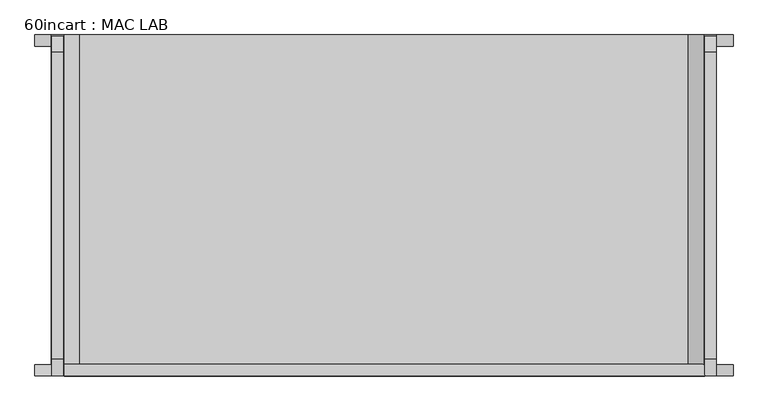
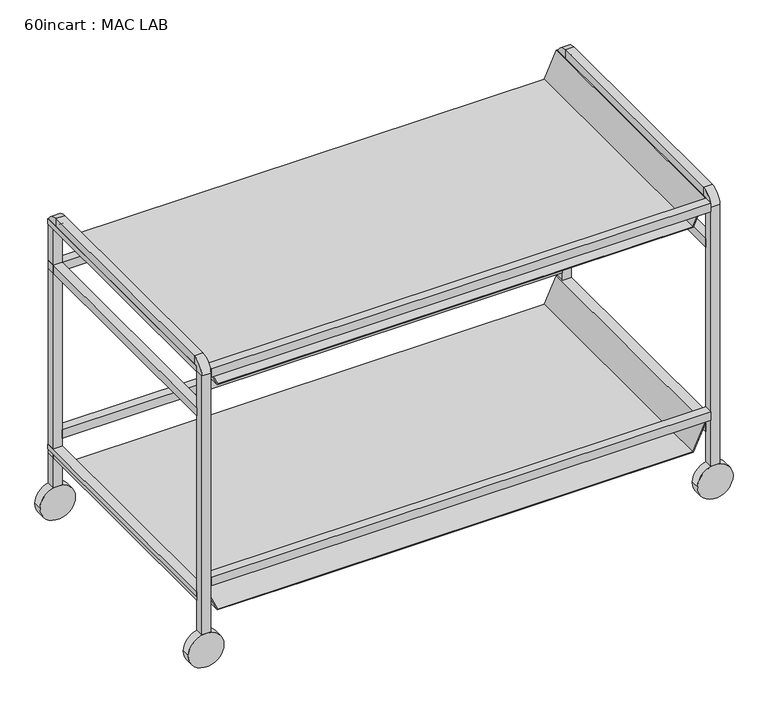
"""IFC4 building model written with IfcOpenShell, lengths in millimetres: proxy geometry, 60incart : MAC LAB."""

from ifc_helpers import new_model, si_unit, point, frame, frame_2d, origin, place, context, project, spatial, polyline, circle_curve, trimmed, segment, composite_curve, outline, extrude, source, transform, mapped, element, save
from ifc_brep_helpers import plane_surface, cylinder_surface, revolved_surface, advanced_brep


def proxy_60incart_mac_lab_c3137fdd(model_context):
    return source(origin(), model_context, "Body", "SolidModel", [
        extrude(outline(polyline([(215.9259266, -558.8), (215.9259266, -533.4), (140.8835759, -499.0069911), (140.8835759, -240.7680089), (140.8835759, 864.1319911), (215.9259266, 898.525), (215.9259266, 923.925), (203.2259266, 923.925), (203.2259266, 925.5125), (217.5134266, 925.5125), (217.5134266, 897.5062868), (142.4710759, 863.1132779), (142.4710759, -497.9882779), (217.5134266, -532.3812868), (217.5134266, -560.3875), (203.2259266, -560.3875), (203.2259266, -558.8), (215.9259266, -558.8)])), frame((0.0, -482.6, 0.0), z_axis=(0.0, 1.0, 0.0), x_axis=(0.0, 0.0, 1.0)), (0.0, 0.0, 1.0), 736.6),
        extrude(outline(polyline([(898.525, -558.8), (898.525, -533.4), (823.4826492, -499.0069911), (823.4826492, -240.7680089), (823.4826492, 864.1319911), (898.525, 898.525), (898.525, 923.925), (885.825, 923.925), (885.825, 925.5125), (900.1125, 925.5125), (900.1125, 897.5062868), (825.0701492, 863.1132779), (825.0701492, -497.9882779), (900.1125, -532.3812868), (900.1125, -560.3875), (885.825, -560.3875), (885.825, -558.8), (898.525, -558.8)])), frame((0.0, -482.6, 0.0), z_axis=(0.0, 1.0, 0.0), x_axis=(0.0, 0.0, 1.0)), (0.0, 0.0, 1.0), 736.6),
        extrude(outline(polyline([(-533.4, 228.6), (-533.4, 254.0), (900.1125, 254.0), (900.1125, 228.6), (-533.4, 228.6)])), frame((0.0, 0.0, 241.3), z_axis=(0.0, 0.0, 1.0), x_axis=(1.0, 0.0, 0.0)), (0.0, 0.0, 1.0), 25.4),
        extrude(outline(polyline([(-531.6884044, -508.3419252), (-531.6884044, -482.9419252), (900.1125, -482.9419252), (900.1125, -508.3419252), (-531.6884044, -508.3419252)])), frame((0.0, 0.0, 241.3), z_axis=(0.0, 0.0, 1.0), x_axis=(1.0, 0.0, 0.0)), (0.0, 0.0, 1.0), 25.4),
        extrude(outline(polyline([(900.1125, -482.6), (900.1125, -508.0), (-531.6884044, -508.0), (-531.6884044, -482.6), (900.1125, -482.6)])), frame((0.0, 0.0, 873.125), z_axis=(0.0, 0.0, 1.0), x_axis=(1.0, 0.0, 0.0)), (0.0, 0.0, 1.0), 25.4),
        extrude(outline(polyline([(900.1125, 254.0), (900.1125, 228.6), (-533.4, 228.6), (-533.4, 254.0), (900.1125, 254.0)])), frame((0.0, 0.0, 749.3), z_axis=(0.0, 0.0, 1.0), x_axis=(1.0, 0.0, 0.0)), (0.0, 0.0, 1.0), 25.4),
        extrude(outline(polyline([(-558.8, 254.0), (-533.4, 254.0), (-533.4, -482.6), (-558.8, -482.6), (-558.8, 254.0)])), frame((0.0, 0.0, 749.3), z_axis=(0.0, 0.0, 1.0), x_axis=(1.0, 0.0, 0.0)), (0.0, 0.0, 1.0), 25.4),
        extrude(outline(polyline([(-558.8, 254.0), (-533.4, 254.0), (-533.4, -482.6), (-558.8, -482.6), (-558.8, 254.0)])), frame((0.0, 0.0, 190.5259266), z_axis=(0.0, 0.0, 1.0), x_axis=(1.0, 0.0, 0.0)), (0.0, 0.0, 1.0), 25.4),
        extrude(outline(polyline([(900.1125, 254.0), (925.5125, 254.0), (925.5125, -482.6), (900.1125, -482.6), (900.1125, 254.0)])), frame((0.0, 0.0, 749.3), z_axis=(0.0, 0.0, 1.0), x_axis=(1.0, 0.0, 0.0)), (0.0, 0.0, 1.0), 25.4),
        extrude(outline(polyline([(900.1125, 254.0), (925.5125, 254.0), (925.5125, -482.6), (900.1125, -482.6), (900.1125, 254.0)])), frame((0.0, 0.0, 190.5259266), z_axis=(0.0, 0.0, 1.0), x_axis=(1.0, 0.0, 0.0)), (0.0, 0.0, 1.0), 25.4),
        advanced_brep(
        [(-558.8, 254.0, 100.3263379), (-533.4, 254.0, 100.3263379), (-533.4, 228.6, 100.3263379), (-558.8, 228.6, 100.3263379), (-558.8, 254.0, 885.825), (-533.4, 254.0, 885.825), (-533.4, 228.6, 885.825), (-558.8, 228.6, 885.825), (-533.4, 215.9, 923.925), (-558.8, 215.9, 923.925), (-533.4, 215.9, 898.525), (-558.8, 215.9, 898.525), (-558.8, -469.9, 923.925), (-533.4, -469.9, 923.925), (-533.4, -469.9, 898.525), (-558.8, -469.9, 898.525), (-533.4, -508.0, 885.825), (-558.8, -508.0, 885.825), (-533.4, -482.6, 885.825), (-558.8, -482.6, 885.825), (-558.8, -508.0, 101.6), (-558.8, -482.6, 101.6), (-533.4, -482.6, 101.6), (-533.4, -508.0, 101.6)],
        [
            (0, 1),
            (1, 2),
            (2, 3),
            (3, 0),
            (0, 4),
            (4, 5),
            (5, 1),
            (5, 6),
            (6, 2),
            (6, 7),
            (7, 3),
            (7, 4),
            (8, 5, circle_curve(frame((-533.4, 215.9, 885.825), z_axis=(-1.0, 0.0, 0.0), x_axis=(0.0, 1.0, 0.0)), 38.1)),
            (4, 9, circle_curve(frame((-558.8, 215.9, 885.825), z_axis=(1.0, 0.0, 0.0), x_axis=(0.0, 1.0, 0.0)), 38.1)),
            (9, 8),
            (10, 6, circle_curve(frame((-533.4, 215.9, 885.825), z_axis=(-1.0, 0.0, 0.0), x_axis=(0.0, 1.0, 0.0)), 12.7)),
            (8, 10),
            (11, 7, circle_curve(frame((-558.8, 215.9, 885.825), z_axis=(-1.0, 0.0, 0.0), x_axis=(0.0, 1.0, 0.0)), 12.7)),
            (10, 11),
            (11, 9),
            (9, 12),
            (12, 13),
            (13, 8),
            (13, 14),
            (14, 10),
            (14, 15),
            (15, 11),
            (15, 12),
            (16, 13, circle_curve(frame((-533.4, -469.9, 885.825), z_axis=(-1.0, 0.0, 0.0), x_axis=(0.0, 0.0, 1.0)), 38.1)),
            (12, 17, circle_curve(frame((-558.8, -469.9, 885.825), z_axis=(1.0, 0.0, 0.0), x_axis=(0.0, 0.0, 1.0)), 38.1)),
            (17, 16),
            (18, 14, circle_curve(frame((-533.4, -469.9, 885.825), z_axis=(-1.0, 0.0, 0.0), x_axis=(0.0, 0.0, 1.0)), 12.7)),
            (16, 18),
            (19, 15, circle_curve(frame((-558.8, -469.9, 885.825), z_axis=(-1.0, 0.0, 0.0), x_axis=(0.0, 0.0, 1.0)), 12.7)),
            (18, 19),
            (19, 17),
            (20, 21),
            (21, 22),
            (22, 23),
            (23, 20),
            (17, 20),
            (23, 16),
            (22, 18),
            (21, 19),
        ],
        [
            plane_surface(frame((339.725, -657.3147482, 100.3263379), z_axis=(0.0, 0.0, -1.0), x_axis=(1.0, 0.0, 0.0))),
            plane_surface(frame((-558.8, 254.0, 100.3263379), z_axis=(0.0, 1.0, 0.0), x_axis=(0.0, 0.0, 1.0))),
            plane_surface(frame((-533.4, 254.0, 100.3263379), z_axis=(1.0, 0.0, 0.0), x_axis=(0.0, 0.0, 1.0))),
            plane_surface(frame((-533.4, 228.6, 100.3263379), z_axis=(0.0, -1.0, 0.0), x_axis=(0.0, 0.0, 1.0))),
            plane_surface(frame((-558.8, 228.6, 100.3263379), z_axis=(-1.0, 0.0, 0.0), x_axis=(0.0, 0.0, 1.0))),
            cylinder_surface(frame((339.725, 215.9, 885.825), z_axis=(1.0, 0.0, 0.0), x_axis=(0.0, 1.0, 0.0)), 38.1),
            plane_surface(frame((-533.4, 215.9, 885.825), z_axis=(1.0, 0.0, 0.0), x_axis=(0.0, 1.0, 0.0))),
            revolved_surface(polyline([(-533.4, 228.6, 885.825), (-558.8, 228.6, 885.825)]), (339.725, 215.9, 885.825), (1.0, 0.0, 0.0)),
            plane_surface(frame((-558.8, 215.9, 885.825), z_axis=(-1.0, 0.0, 0.0), x_axis=(0.0, 1.0, 0.0))),
            plane_surface(frame((-558.8, 215.9, 923.925), z_axis=(0.0, 0.0, 1.0), x_axis=(0.0, -1.0, 0.0))),
            plane_surface(frame((-533.4, 215.9, 923.925), z_axis=(1.0, 0.0, 0.0), x_axis=(0.0, -1.0, 0.0))),
            plane_surface(frame((-533.4, 215.9, 898.525), z_axis=(0.0, 0.0, -1.0), x_axis=(0.0, -1.0, 0.0))),
            plane_surface(frame((-558.8, 215.9, 898.525), z_axis=(-1.0, 0.0, 0.0), x_axis=(0.0, -1.0, 0.0))),
            cylinder_surface(frame((339.725, -469.9, 885.825), z_axis=(1.0, 0.0, 0.0), x_axis=(0.0, 0.0, 1.0)), 38.1),
            plane_surface(frame((-533.4, -469.9, 885.825), z_axis=(1.0, 0.0, 0.0), x_axis=(0.0, 0.0, 1.0))),
            revolved_surface(polyline([(-533.4, -469.9, 898.5250000000001), (-558.8, -469.9, 898.5250000000001)]), (339.725, -469.9, 885.825), (1.0, 0.0, 0.0)),
            plane_surface(frame((-558.8, -469.9, 885.825), z_axis=(-1.0, 0.0, 0.0), x_axis=(0.0, 0.0, 1.0))),
            plane_surface(frame((339.725, -1393.9147482, 101.6), z_axis=(0.0, 0.0, -1.0), x_axis=(-1.0, 0.0, 0.0))),
            plane_surface(frame((-558.8, -508.0, 885.825), z_axis=(0.0, -1.0, 0.0), x_axis=(0.0, 0.0, -1.0))),
            plane_surface(frame((-533.4, -508.0, 885.825), z_axis=(1.0, 0.0, 0.0), x_axis=(0.0, 0.0, -1.0))),
            plane_surface(frame((-533.4, -482.6, 885.825), z_axis=(0.0, 1.0, 0.0), x_axis=(0.0, 0.0, -1.0))),
            plane_surface(frame((-558.8, -482.6, 885.825), z_axis=(-1.0, 0.0, 0.0), x_axis=(0.0, 0.0, -1.0))),
        ],
        [
            (0, [[1, 2, 3, 4]]),
            (1, [[-1, 5, 6, 7]]),
            (2, [[-2, -7, 8, 9]]),
            (3, [[-3, -9, 10, 11]]),
            (4, [[-4, -11, 12, -5]]),
            (5, [[13, -6, 14, 15]]),
            (6, [[16, -8, -13, 17]]),
            (7, [[18, -10, -16, 19]]),
            (8, [[-14, -12, -18, 20]]),
            (9, [[-15, 21, 22, 23]]),
            (10, [[-17, -23, 24, 25]]),
            (11, [[-19, -25, 26, 27]]),
            (12, [[-20, -27, 28, -21]]),
            (13, [[29, -22, 30, 31]]),
            (14, [[32, -24, -29, 33]]),
            (15, [[34, -26, -32, 35]]),
            (16, [[-30, -28, -34, 36]]),
            (17, [[37, 38, 39, 40]]),
            (18, [[-31, 41, -40, 42]]),
            (19, [[-33, -42, -39, 43]]),
            (20, [[-35, -43, -38, 44]]),
            (21, [[-36, -44, -37, -41]]),
        ],
    ),
        advanced_brep(
        [(925.5125, 254.0, 100.3263379), (925.5125, 228.6, 100.3263379), (900.1125, 228.6, 100.3263379), (900.1125, 254.0, 100.3263379), (925.5125, 254.0, 885.825), (925.5125, 228.6, 885.825), (900.1125, 228.6, 885.825), (900.1125, 254.0, 885.825), (925.5125, 215.9, 898.525), (925.5125, 215.9, 923.925), (900.1125, 215.9, 898.525), (900.1125, 215.9, 923.925), (925.5125, -469.9, 923.925), (925.5125, -469.9, 898.525), (900.1125, -469.9, 898.525), (900.1125, -469.9, 923.925), (925.5125, -482.6, 885.825), (925.5125, -508.0, 885.825), (900.1125, -482.6, 885.825), (900.1125, -508.0, 885.825), (925.5125, -508.0, 101.6), (900.1125, -508.0, 101.6), (900.1125, -482.6, 101.6), (925.5125, -482.6, 101.6)],
        [
            (0, 1),
            (1, 2),
            (2, 3),
            (3, 0),
            (0, 4),
            (4, 5),
            (5, 1),
            (5, 6),
            (6, 2),
            (6, 7),
            (7, 3),
            (7, 4),
            (8, 5, circle_curve(frame((925.5125, 215.9, 885.825), z_axis=(-1.0, 0.0, 0.0), x_axis=(0.0, 1.0, 0.0)), 12.7)),
            (4, 9, circle_curve(frame((925.5125, 215.9, 885.825), z_axis=(1.0, 0.0, 0.0), x_axis=(0.0, 1.0, 0.0)), 38.1)),
            (9, 8),
            (10, 6, circle_curve(frame((900.1125, 215.9, 885.825), z_axis=(-1.0, 0.0, 0.0), x_axis=(0.0, 1.0, 0.0)), 12.7)),
            (8, 10),
            (11, 7, circle_curve(frame((900.1125, 215.9, 885.825), z_axis=(-1.0, 0.0, 0.0), x_axis=(0.0, 1.0, 0.0)), 38.1)),
            (10, 11),
            (11, 9),
            (9, 12),
            (12, 13),
            (13, 8),
            (13, 14),
            (14, 10),
            (14, 15),
            (15, 11),
            (15, 12),
            (16, 13, circle_curve(frame((925.5125, -469.9, 885.825), z_axis=(-1.0, 0.0, 0.0), x_axis=(0.0, 0.0, 1.0)), 12.7)),
            (12, 17, circle_curve(frame((925.5125, -469.9, 885.825), z_axis=(1.0, 0.0, 0.0), x_axis=(0.0, 0.0, 1.0)), 38.1)),
            (17, 16),
            (18, 14, circle_curve(frame((900.1125, -469.9, 885.825), z_axis=(-1.0, 0.0, 0.0), x_axis=(0.0, 0.0, 1.0)), 12.7)),
            (16, 18),
            (19, 15, circle_curve(frame((900.1125, -469.9, 885.825), z_axis=(-1.0, 0.0, 0.0), x_axis=(0.0, 0.0, 1.0)), 38.1)),
            (18, 19),
            (19, 17),
            (20, 21),
            (21, 22),
            (22, 23),
            (23, 20),
            (17, 20),
            (23, 16),
            (22, 18),
            (21, 19),
        ],
        [
            plane_surface(frame((912.8125, 223.3394878, 100.3263379), z_axis=(0.0, 0.0, -1.0), x_axis=(1.0, 0.0, 0.0))),
            plane_surface(frame((925.5125, 254.0, 100.3263379), z_axis=(1.0, 0.0, 0.0), x_axis=(0.0, 0.0, 1.0))),
            plane_surface(frame((925.5125, 228.6, 100.3263379), z_axis=(0.0, -1.0, 0.0), x_axis=(0.0, 0.0, 1.0))),
            plane_surface(frame((900.1125, 228.6, 100.3263379), z_axis=(-1.0, 0.0, 0.0), x_axis=(0.0, 0.0, 1.0))),
            plane_surface(frame((900.1125, 254.0, 100.3263379), z_axis=(0.0, 1.0, 0.0), x_axis=(0.0, 0.0, 1.0))),
            plane_surface(frame((925.5125, 215.9, 885.825), z_axis=(1.0, 0.0, 0.0), x_axis=(0.0, 1.0, 0.0))),
            revolved_surface(polyline([(925.5125, 228.6, 885.825), (900.1125, 228.6, 885.825)]), (912.8125, 215.9, 885.825), (1.0, 0.0, 0.0)),
            plane_surface(frame((900.1125, 215.9, 885.825), z_axis=(-1.0, 0.0, 0.0), x_axis=(0.0, 1.0, 0.0))),
            cylinder_surface(frame((912.8125, 215.9, 885.825), z_axis=(1.0, 0.0, 0.0), x_axis=(0.0, 1.0, 0.0)), 38.1),
            plane_surface(frame((925.5125, 215.9, 923.925), z_axis=(1.0, 0.0, 0.0), x_axis=(0.0, -1.0, 0.0))),
            plane_surface(frame((925.5125, 215.9, 898.525), z_axis=(0.0, 0.0, -1.0), x_axis=(0.0, -1.0, 0.0))),
            plane_surface(frame((900.1125, 215.9, 898.525), z_axis=(-1.0, 0.0, 0.0), x_axis=(0.0, -1.0, 0.0))),
            plane_surface(frame((900.1125, 215.9, 923.925), z_axis=(0.0, 0.0, 1.0), x_axis=(0.0, -1.0, 0.0))),
            plane_surface(frame((925.5125, -469.9, 885.825), z_axis=(1.0, 0.0, 0.0), x_axis=(0.0, 0.0, 1.0))),
            revolved_surface(polyline([(925.5125, -469.9, 898.5250000000001), (900.1125, -469.9, 898.5250000000001)]), (912.8125, -469.9, 885.825), (1.0, 0.0, 0.0)),
            plane_surface(frame((900.1125, -469.9, 885.825), z_axis=(-1.0, 0.0, 0.0), x_axis=(0.0, 0.0, 1.0))),
            cylinder_surface(frame((912.8125, -469.9, 885.825), z_axis=(1.0, 0.0, 0.0), x_axis=(0.0, 0.0, 1.0)), 38.1),
            plane_surface(frame((912.8125, -513.2605122, 101.6), z_axis=(0.0, 0.0, -1.0), x_axis=(-1.0, 0.0, 0.0))),
            plane_surface(frame((925.5125, -508.0, 885.825), z_axis=(1.0, 0.0, 0.0), x_axis=(0.0, 0.0, -1.0))),
            plane_surface(frame((925.5125, -482.6, 885.825), z_axis=(0.0, 1.0, 0.0), x_axis=(0.0, 0.0, -1.0))),
            plane_surface(frame((900.1125, -482.6, 885.825), z_axis=(-1.0, 0.0, 0.0), x_axis=(0.0, 0.0, -1.0))),
            plane_surface(frame((900.1125, -508.0, 885.825), z_axis=(0.0, -1.0, 0.0), x_axis=(0.0, 0.0, -1.0))),
        ],
        [
            (0, [[1, 2, 3, 4]]),
            (1, [[-1, 5, 6, 7]]),
            (2, [[-2, -7, 8, 9]]),
            (3, [[-3, -9, 10, 11]]),
            (4, [[-4, -11, 12, -5]]),
            (5, [[13, -6, 14, 15]]),
            (6, [[16, -8, -13, 17]]),
            (7, [[18, -10, -16, 19]]),
            (8, [[-14, -12, -18, 20]]),
            (9, [[-15, 21, 22, 23]]),
            (10, [[-17, -23, 24, 25]]),
            (11, [[-19, -25, 26, 27]]),
            (12, [[-20, -27, 28, -21]]),
            (13, [[29, -22, 30, 31]]),
            (14, [[32, -24, -29, 33]]),
            (15, [[34, -26, -32, 35]]),
            (16, [[-30, -28, -34, 36]]),
            (17, [[37, 38, 39, 40]]),
            (18, [[-31, 41, -40, 42]]),
            (19, [[-33, -42, -39, 43]]),
            (20, [[-35, -43, -38, 44]]),
            (21, [[-36, -44, -37, -41]]),
        ],
    ),
        extrude(outline(composite_curve([segment(trimmed(circle_curve(frame_2d((50.8, -546.1)), 50.8), [point((50.8, -596.9))], [point((50.8, -495.3))], False, "CARTESIAN"), True, "CONTINUOUS"), segment(trimmed(circle_curve(frame_2d((50.8, -546.1)), 50.8), [point((50.8, -495.3))], [point((50.8, -596.9))], False, "CARTESIAN"), True, "CONTINUOUS")], self_intersect=False)), frame((0.0, -508.0, 0.0), z_axis=(0.0, 1.0, 0.0), x_axis=(0.0, 0.0, 1.0)), (0.0, 0.0, 1.0), 25.4),
        extrude(outline(composite_curve([segment(trimmed(circle_curve(frame_2d((50.8, 912.8125)), 50.8), [point((50.8, 862.0125))], [point((50.8, 963.6125))], False, "CARTESIAN"), True, "CONTINUOUS"), segment(trimmed(circle_curve(frame_2d((50.8, 912.8125)), 50.8), [point((50.8, 963.6125))], [point((50.8, 862.0125))], False, "CARTESIAN"), True, "CONTINUOUS")], self_intersect=False)), frame((0.0, -508.0, 0.0), z_axis=(0.0, 1.0, 0.0), x_axis=(0.0, 0.0, 1.0)), (0.0, 0.0, 1.0), 25.4),
        extrude(outline(composite_curve([segment(trimmed(circle_curve(frame_2d((50.8, 912.8125)), 50.8), [point((50.8, 862.0125))], [point((50.8, 963.6125))], False, "CARTESIAN"), True, "CONTINUOUS"), segment(trimmed(circle_curve(frame_2d((50.8, 912.8125)), 50.8), [point((50.8, 963.6125))], [point((50.8, 862.0125))], False, "CARTESIAN"), True, "CONTINUOUS")], self_intersect=False)), frame((0.0, 228.6, 0.0), z_axis=(0.0, 1.0, 0.0), x_axis=(0.0, 0.0, 1.0)), (0.0, 0.0, 1.0), 25.4),
        extrude(outline(composite_curve([segment(trimmed(circle_curve(frame_2d((50.8, -546.1)), 50.8), [point((50.8, -596.9))], [point((50.8, -495.3))], False, "CARTESIAN"), True, "CONTINUOUS"), segment(trimmed(circle_curve(frame_2d((50.8, -546.1)), 50.8), [point((50.8, -495.3))], [point((50.8, -596.9))], False, "CARTESIAN"), True, "CONTINUOUS")], self_intersect=False)), frame((0.0, 228.6, 0.0), z_axis=(0.0, 1.0, 0.0), x_axis=(0.0, 0.0, 1.0)), (0.0, 0.0, 1.0), 25.4),
    ])


if __name__ == "__main__":
    model = new_model("IFC4")
    model_context = context("Model", 3, world=origin())
    ifc_project = project(units=[si_unit("LENGTHUNIT", "METRE", prefix="MILLI")], contexts=[model_context])
    site = spatial("IfcSite", under=ifc_project)
    building = spatial("IfcBuilding", under=site)
    placement = place(None, origin())
    proxy_60incart_mac_lab_shape = proxy_60incart_mac_lab_c3137fdd(model_context)
    element("IfcBuildingElementProxy", 1, Name="60incart : MAC LAB", ObjectType="60incart : MAC LAB", at=placement, inside=building, context=model_context, shape_type="MappedRepresentation", body=[
        mapped(proxy_60incart_mac_lab_shape, transform((0.0, 0.0, 0.0), x_axis=(1.0, 0.0, 0.0), y_axis=(0.0, 1.0, 0.0), z_axis=(0.0, 0.0, 1.0))),
    ])
    save(model, "model.ifc")
